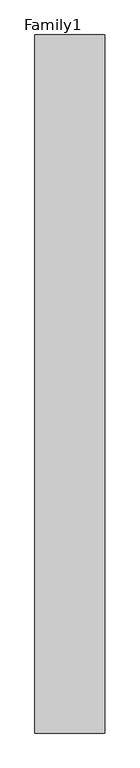
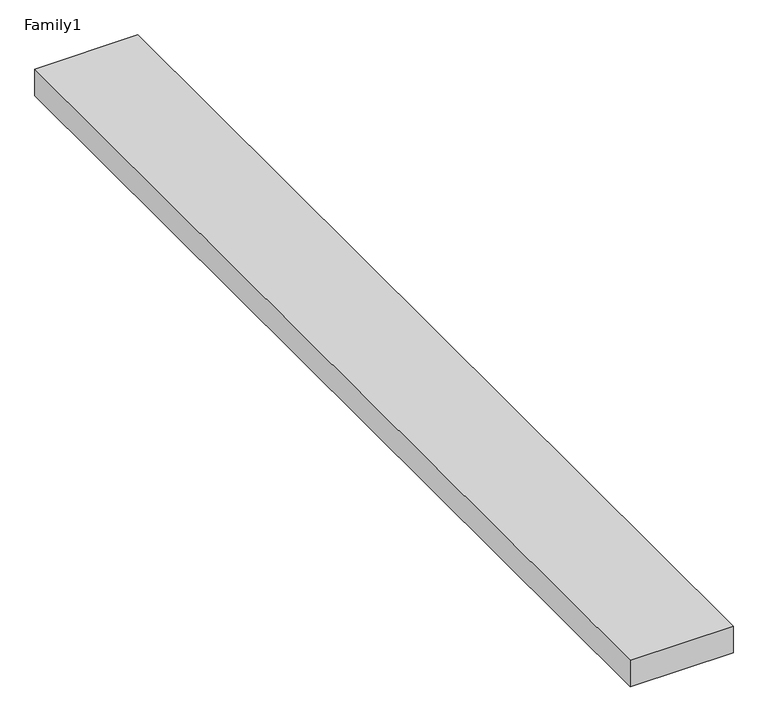
"""IFC4 building model written with IfcOpenShell, lengths in millimetres: proxy geometry, Family1."""

from ifc_helpers import new_model, si_unit, origin, origin_with_axes, place, context, project, spatial, polyline, outline, extrude, source, transform, mapped, element, save


def family1_3778226e(model_context):
    return source(origin(), model_context, "Body", "SweptSolid", [
        extrude(outline(polyline([(5000.0, 0.0), (0.0, 0.0), (0.0, 50000.0), (5000.0, 50000.0), (5000.0, 0.0)])), origin_with_axes(), (0.0, 0.0, 1.0), 1365.0),
    ])


if __name__ == "__main__":
    model = new_model("IFC4")
    model_context = context("Model", 3, world=origin())
    ifc_project = project(units=[si_unit("LENGTHUNIT", "METRE", prefix="MILLI")], contexts=[model_context])
    site = spatial("IfcSite", under=ifc_project)
    building = spatial("IfcBuilding", under=site)
    placement = place(None, origin())
    family1_shape = family1_3778226e(model_context)
    element("IfcBuildingElementProxy", 1, Name="Family1", ObjectType="Family1", at=placement, inside=building, context=model_context, shape_type="MappedRepresentation", body=[
        mapped(family1_shape, transform((0.0, 0.0, 0.0), x_axis=(1.0, 0.0, 0.0), y_axis=(0.0, 1.0, 0.0), z_axis=(0.0, 0.0, 1.0))),
    ])
    save(model, "model.ifc")
